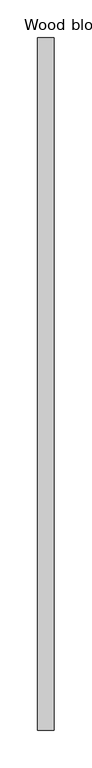
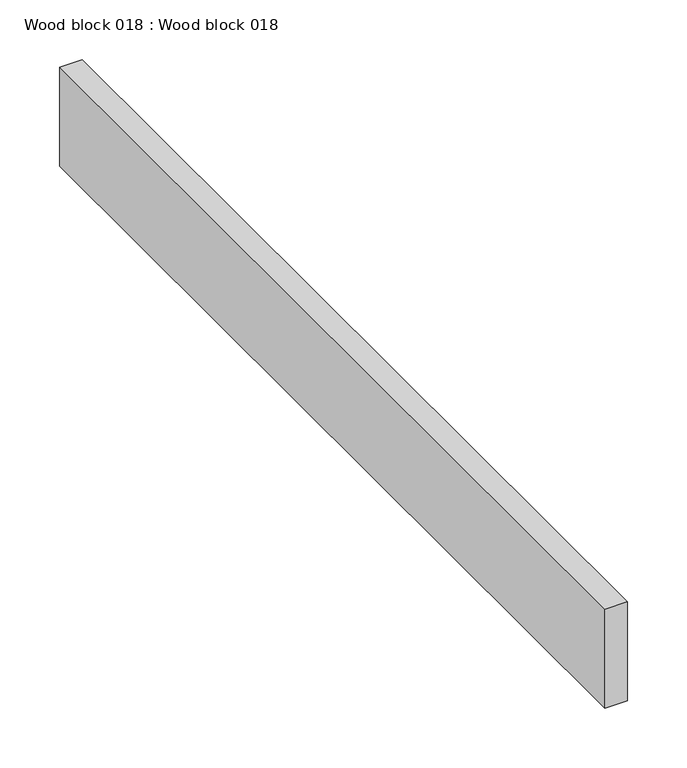
"""IFC4 building model written with IfcOpenShell, lengths in millimetres: proxy geometry, Wood block 018 : Wood block 018."""

from ifc_helpers import new_model, si_unit, frame, origin, place, context, project, spatial, polyline, outline, extrude, source, transform, mapped, element, save


def wood_block_018_wood_block_018_238f3684(model_context):
    return source(origin(), model_context, "Body", "SweptSolid", [
        extrude(outline(polyline([(37205.8513666, -18662.4264268), (37227.7380854, -18662.4264268), (37227.7380854, -19576.8264268), (37205.8513666, -19576.8264268), (37205.8513666, -18662.4264268)])), frame((0.0, 0.0, 169.6078186), z_axis=(0.0, 0.0, 1.0), x_axis=(1.0, 0.0, 0.0)), (0.0, 0.0, 1.0), 101.6645508),
    ])


if __name__ == "__main__":
    model = new_model("IFC4")
    model_context = context("Model", 3, world=origin())
    ifc_project = project(units=[si_unit("LENGTHUNIT", "METRE", prefix="MILLI")], contexts=[model_context])
    site = spatial("IfcSite", under=ifc_project)
    building = spatial("IfcBuilding", under=site)
    placement = place(None, origin())
    wood_block_018_wood_block_018_shape = wood_block_018_wood_block_018_238f3684(model_context)
    element("IfcBuildingElementProxy", 1, Name="Wood block 018 : Wood block 018", ObjectType="Wood block 018 : Wood block 018", at=placement, inside=building, context=model_context, shape_type="MappedRepresentation", body=[
        mapped(wood_block_018_wood_block_018_shape, transform((0.0, 0.0, 0.0), x_axis=(1.0, 0.0, 0.0), y_axis=(0.0, 1.0, 0.0), z_axis=(0.0, 0.0, 1.0))),
    ])
    save(model, "model.ifc")
